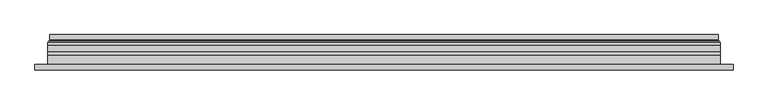
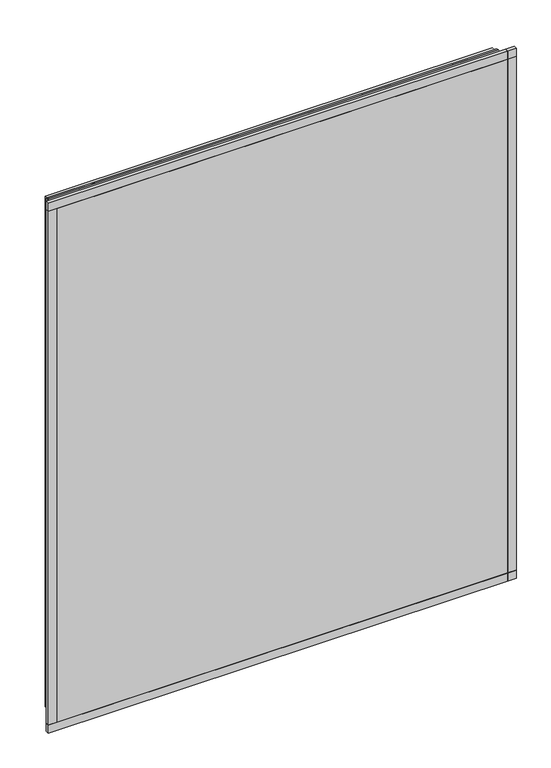
"""IFC4 building model written with IfcOpenShell, lengths in millimetres: plate geometry."""

from ifc_helpers import new_model, si_unit, frame, origin, place, context, project, spatial, polyline, ellipse_curve, outline, extrude, source, transform, mapped, element, save
from ifc_brep_helpers import plane_surface, cylinder_surface, revolved_surface, advanced_brep


def plate_7d203d8e(model_context):
    return source(origin(), model_context, "Body", "SolidModel", [
        extrude(outline(polyline([(33.5, -591.5), (33.5, 591.5), (1466.5, 591.5), (1466.5, -591.5), (33.5, -591.5)]), holes=[polyline([(38.5, 586.5), (38.5, -586.5), (1461.5, -586.5), (1461.5, 586.5), (38.5, 586.5)])]), frame((0.0, 0.0, 0.0), z_axis=(0.0, 1.0, 0.0), x_axis=(0.0, 0.0, 1.0)), (0.0, 0.0, 1.0), 12.0),
        extrude(outline(polyline([(11.5, -613.5), (11.5, 613.5), (1488.5, 613.5), (1488.5, -613.5), (11.5, -613.5)]), holes=[polyline([(33.5, 591.5), (33.5, -591.5), (1466.5, -591.5), (1466.5, 591.5), (33.5, 591.5)])]), frame((0.0, -26.0, 0.0), z_axis=(0.0, 1.0, 0.0), x_axis=(0.0, 0.0, 1.0)), (0.0, 0.0, 1.0), 20.0),
        extrude(outline(polyline([(11.5, -613.5), (11.5, 613.5), (1488.5, 613.5), (1488.5, -613.5), (11.5, -613.5)]), holes=[polyline([(33.5, 591.5), (33.5, -591.5), (1466.5, -591.5), (1466.5, 591.5), (33.5, 591.5)])]), frame((0.0, -26.0, 0.0), z_axis=(0.0, 1.0, 0.0), x_axis=(0.0, 0.0, 1.0)), (0.0, 0.0, 1.0), 20.0),
        extrude(outline(polyline([(613.5, -6.0), (-613.5, -6.0), (-613.5, 0.0), (613.5, 0.0), (613.5, -6.0)])), frame((0.0, 0.0, 11.5), z_axis=(0.0, 0.0, 1.0), x_axis=(1.0, 0.0, 0.0)), (0.0, 0.0, 1.0), 1477.0),
        extrude(outline(polyline([(636.5, -32.0), (-636.5, -32.0), (-636.5, -22.51), (636.5, -22.51), (636.5, -32.0)])), frame((0.0, 0.0, -11.5), z_axis=(0.0, 0.0, 1.0), x_axis=(1.0, 0.0, 0.0)), (0.0, 0.0, 1.0), 23.0),
        extrude(outline(polyline([(636.5, -32.0), (-636.5, -32.0), (-636.5, -22.51), (636.5, -22.51), (636.5, -32.0)])), frame((0.0, 0.0, 1488.5), z_axis=(0.0, 0.0, 1.0), x_axis=(1.0, 0.0, 0.0)), (0.0, 0.0, 1.0), 23.0),
        extrude(outline(polyline([(-636.5, -32.0), (-636.5, -22.51), (-613.5, -22.51), (-613.5, -32.0), (-636.5, -32.0)])), frame((0.0, 0.0, -11.5), z_axis=(0.0, 0.0, 1.0), x_axis=(1.0, 0.0, 0.0)), (0.0, 0.0, 1.0), 1523.0),
        extrude(outline(polyline([(636.5, -32.0), (613.5, -32.0), (613.5, -22.51), (636.5, -22.51), (636.5, -32.0)])), frame((0.0, 0.0, -11.5), z_axis=(0.0, 0.0, 1.0), x_axis=(1.0, 0.0, 0.0)), (0.0, 0.0, 1.0), 1523.0),
        extrude(outline(polyline([(11.5, -613.5), (11.5, 613.5), (1488.5, 613.5), (1488.5, -613.5), (11.5, -613.5)]), holes=[polyline([(33.5, 591.5), (33.5, -591.5), (1466.5, -591.5), (1466.5, 591.5), (33.5, 591.5)])]), frame((0.0, 0.0, 0.0), z_axis=(0.0, 1.0, 0.0), x_axis=(0.0, 0.0, 1.0)), (0.0, 0.0, 1.0), 12.0),
        extrude(outline(polyline([(33.5, -591.5), (33.5, 591.5), (1466.5, 591.5), (1466.5, -591.5), (33.5, -591.5)]), holes=[polyline([(38.5, 586.5), (38.5, -586.5), (1461.5, -586.5), (1461.5, 586.5), (38.5, 586.5)])]), frame((0.0, -26.0, 0.0), z_axis=(0.0, 1.0, 0.0), x_axis=(0.0, 0.0, 1.0)), (0.0, 0.0, 1.0), 20.0),
        extrude(outline(polyline([(613.5, 18.0), (613.5, 12.0), (-613.5, 12.0), (-613.5, 18.0), (613.5, 18.0)])), frame((0.0, 0.0, 11.5), z_axis=(0.0, 0.0, 1.0), x_axis=(1.0, 0.0, 0.0)), (0.0, 0.0, 1.0), 1477.0),
        extrude(outline(polyline([(-613.5, -32.0), (-613.5, -26.0), (613.5, -26.0), (613.5, -32.0), (-613.5, -32.0)])), frame((0.0, 0.0, 11.5), z_axis=(0.0, 0.0, 1.0), x_axis=(1.0, 0.0, 0.0)), (0.0, 0.0, 1.0), 1477.0),
        advanced_brep(
        [(600.0000103, 32.0, 24.9999897), (-600.0000103, 32.0, 24.9999897), (-600.0000103, 21.9110895, 24.9999897), (600.0000103, 21.9110895, 24.9999897), (608.9986526, 23.3044663, 16.0013474), (-608.9986526, 23.3044663, 16.0013474), (-608.9986526, 32.0, 16.0013474), (608.9986526, 32.0, 16.0013474), (610.6689727, 20.9442833, 14.3310273), (-610.6689727, 20.9442833, 14.3310273), (610.2544044, 18.0034569, 14.7455956), (-610.2544044, 18.0034569, 14.7455956), (599.0620948, 20.2163959, 25.9379052), (-599.0620948, 20.2163959, 25.9379052), (-599.6992268, 18.0000006, 25.3007732), (599.6992268, 18.0000006, 25.3007732), (-600.0000103, 32.0, 1475.0000103), (-600.0000103, 21.9110895, 1475.0000103), (-608.9986526, 23.3044663, 1483.9986526), (-608.9986526, 32.0, 1483.9986526), (-610.6689727, 20.9442833, 1485.6689727), (-610.2544044, 18.0034569, 1485.2544044), (-599.0620948, 20.2163959, 1474.0620948), (-599.6992268, 18.0000006, 1474.6992268), (600.0000103, 32.0, 1475.0000103), (600.0000103, 21.9110895, 1475.0000103), (608.9986526, 23.3044663, 1483.9986526), (608.9986526, 32.0, 1483.9986526), (610.6689727, 20.9442833, 1485.6689727), (610.2544044, 18.0034569, 1485.2544044), (599.0620948, 20.2163959, 1474.0620948), (599.6992268, 18.0000006, 1474.6992268)],
        [
            (0, 1),
            (1, 2),
            (2, 3),
            (3, 0),
            (4, 5),
            (5, 6),
            (6, 7),
            (7, 4),
            (8, 9),
            (9, 5, ellipse_curve(frame((-611.3086832, 23.1681522, 13.6913168), z_axis=(-0.7071067811865475, 0.0, 0.7071067811865475), x_axis=(-0.7071067811865476, 0.0, -0.7071067811865474)), 3.2725594, 2.314049)),
            (4, 8, ellipse_curve(frame((611.3086832, 23.1681522, 13.6913168), z_axis=(0.7071067811865475, 0.0, 0.7071067811865475), x_axis=(-0.7071067811865476, 0.0, 0.7071067811865474)), 3.2725594, 2.314049)),
            (10, 11),
            (11, 9, ellipse_curve(frame((-610.2544044, 19.5030909, 14.7455956), z_axis=(0.7071067811865475, 0.0, -0.7071067811865475), x_axis=(0.7071067811865476, 0.0, 0.7071067811865474)), 2.1208028, 1.4996341)),
            (8, 10, ellipse_curve(frame((610.2544044, 19.5030909, 14.7455956), z_axis=(-0.7071067811865475, 0.0, -0.7071067811865475), x_axis=(0.7071067811865476, 0.0, -0.7071067811865474)), 2.1208028, 1.4996341)),
            (12, 13),
            (13, 14, ellipse_curve(frame((-599.6992268, 19.1997743, 25.3007732), z_axis=(0.7071067811865475, 0.0, -0.7071067811865475), x_axis=(0.7071067811865476, 0.0, 0.7071067811865474)), 1.6967361, 1.1997736)),
            (14, 15),
            (15, 12, ellipse_curve(frame((599.6992268, 19.1997743, 25.3007732), z_axis=(-0.7071067811865475, 0.0, -0.7071067811865475), x_axis=(0.7071067811865476, 0.0, -0.7071067811865474)), 1.6967361, 1.1997736)),
            (2, 13, ellipse_curve(frame((-598.0000051, 21.9110895, 26.9999949), z_axis=(-0.7071067811865475, 0.0, 0.7071067811865475), x_axis=(-0.7071067811865476, 0.0, -0.7071067811865474)), 2.8284345, 2.0000052)),
            (12, 3, ellipse_curve(frame((598.0000051, 21.9110895, 26.9999949), z_axis=(0.7071067811865475, 0.0, 0.7071067811865475), x_axis=(-0.7071067811865476, 0.0, 0.7071067811865474)), 2.8284345, 2.0000052)),
            (1, 16),
            (16, 17),
            (17, 2),
            (5, 18),
            (18, 19),
            (19, 6),
            (9, 20),
            (20, 18, ellipse_curve(frame((-611.3086832, 23.1681522, 1486.3086832), z_axis=(0.7071067811865475, 0.0, 0.7071067811865475), x_axis=(-0.7071067811865474, 0.0, 0.7071067811865476)), 3.2725594, 2.314049)),
            (11, 21),
            (21, 20, ellipse_curve(frame((-610.2544044, 19.5030909, 1485.2544044), z_axis=(-0.7071067811865475, 0.0, -0.7071067811865475), x_axis=(0.7071067811865474, 0.0, -0.7071067811865476)), 2.1208028, 1.4996341)),
            (13, 22),
            (22, 23, ellipse_curve(frame((-599.6992268, 19.1997743, 1474.6992268), z_axis=(-0.7071067811865475, 0.0, -0.7071067811865475), x_axis=(0.7071067811865474, 0.0, -0.7071067811865476)), 1.6967361, 1.1997736)),
            (23, 14),
            (17, 22, ellipse_curve(frame((-598.0000051, 21.9110895, 1473.0000051), z_axis=(0.7071067811865475, 0.0, 0.7071067811865475), x_axis=(-0.7071067811865474, 0.0, 0.7071067811865476)), 2.8284345, 2.0000052)),
            (16, 24),
            (24, 25),
            (25, 17),
            (18, 26),
            (26, 27),
            (27, 19),
            (20, 28),
            (28, 26, ellipse_curve(frame((611.3086832, 23.1681522, 1486.3086832), z_axis=(0.7071067811865475, 0.0, -0.7071067811865475), x_axis=(0.7071067811865476, 0.0, 0.7071067811865474)), 3.2725594, 2.314049)),
            (21, 29),
            (29, 28, ellipse_curve(frame((610.2544044, 19.5030909, 1485.2544044), z_axis=(-0.7071067811865475, 0.0, 0.7071067811865475), x_axis=(-0.7071067811865476, 0.0, -0.7071067811865474)), 2.1208028, 1.4996341)),
            (22, 30),
            (30, 31, ellipse_curve(frame((599.6992268, 19.1997743, 1474.6992268), z_axis=(-0.7071067811865475, 0.0, 0.7071067811865475), x_axis=(-0.7071067811865476, 0.0, -0.7071067811865474)), 1.6967361, 1.1997736)),
            (31, 23),
            (25, 30, ellipse_curve(frame((598.0000051, 21.9110895, 1473.0000051), z_axis=(0.7071067811865475, 0.0, -0.7071067811865475), x_axis=(0.7071067811865476, 0.0, 0.7071067811865474)), 2.8284345, 2.0000052)),
            (24, 0),
            (3, 25),
            (26, 4),
            (7, 27),
            (28, 8),
            (29, 10),
            (31, 15),
            (30, 12),
        ],
        [
            plane_surface(frame((600.0000103, 21.9110895, 24.9999897), z_axis=(0.0, 0.0, 1.0), x_axis=(-1.0, 0.0, 0.0))),
            plane_surface(frame((608.9986526, 32.0, 16.0013474), z_axis=(0.0, 0.0, -1.0), x_axis=(-1.0, 0.0, 0.0))),
            revolved_surface(polyline([(-613.6227321435756, 25.482201200000002, 13.6913168), (613.6227321435758, 25.482201200000002, 13.6913168)]), (600.0, 23.1681522, 13.6913168), (-1.0, 0.0, 0.0)),
            cylinder_surface(frame((600.0, 19.5030909, 14.7455956), z_axis=(1.0, 0.0, 0.0), x_axis=(0.0, 1.0, 0.0)), 1.4996341),
            cylinder_surface(frame((600.0, 19.1997743, 25.3007732), z_axis=(1.0, 0.0, 0.0), x_axis=(0.0, 1.0, 0.0)), 1.1997736),
            revolved_surface(polyline([(-600.0000103150919, 23.9110947, 26.9999949), (600.0000103150919, 23.9110947, 26.9999949)]), (600.0, 21.9110895, 26.9999949), (-1.0, 0.0, 0.0)),
            plane_surface(frame((-600.0000103, 21.9110895, 24.9999897), z_axis=(1.0, 0.0, 0.0), x_axis=(0.0, 0.0, 1.0))),
            plane_surface(frame((-608.9986526, 32.0, 16.0013474), z_axis=(-1.0, 0.0, 0.0), x_axis=(0.0, 0.0, 1.0))),
            revolved_surface(polyline([(-611.3086832, 25.482201200000002, 1488.6227321435756), (-611.3086832, 25.482201200000002, 11.37726785642422)]), (-611.3086832, 23.1681522, 25.0), (0.0, 0.0, 1.0)),
            cylinder_surface(frame((-610.2544044, 19.5030909, 25.0), z_axis=(0.0, 0.0, -1.0), x_axis=(0.0, 1.0, 0.0)), 1.4996341),
            cylinder_surface(frame((-599.6992268, 19.1997743, 25.0), z_axis=(0.0, 0.0, -1.0), x_axis=(0.0, 1.0, 0.0)), 1.1997736),
            revolved_surface(polyline([(-598.0000051, 23.9110947, 1475.000010315092), (-598.0000051, 23.9110947, 24.99998968490802)]), (-598.0000051, 21.9110895, 25.0), (0.0, 0.0, 1.0)),
            plane_surface(frame((-600.0000103, 21.9110895, 1475.0000103), z_axis=(0.0, 0.0, -1.0), x_axis=(1.0, 0.0, 0.0))),
            plane_surface(frame((-608.9986526, 32.0, 1483.9986526), z_axis=(0.0, 0.0, 1.0), x_axis=(1.0, 0.0, 0.0))),
            revolved_surface(polyline([(613.6227321435756, 25.482201200000002, 1486.3086832), (-613.6227321435758, 25.482201200000002, 1486.3086832)]), (-600.0, 23.1681522, 1486.3086832), (1.0, 0.0, 0.0)),
            cylinder_surface(frame((-600.0, 19.5030909, 1485.2544044), z_axis=(-1.0, 0.0, 0.0), x_axis=(0.0, 1.0, 0.0)), 1.4996341),
            cylinder_surface(frame((-600.0, 19.1997743, 1474.6992268), z_axis=(-1.0, 0.0, 0.0), x_axis=(0.0, 1.0, 0.0)), 1.1997736),
            revolved_surface(polyline([(600.0000103150919, 23.9110947, 1473.0000051), (-600.0000103150919, 23.9110947, 1473.0000051)]), (-600.0, 21.9110895, 1473.0000051), (1.0, 0.0, 0.0)),
            plane_surface(frame((600.0000103, 21.9110895, 1475.0000103), z_axis=(-1.0, 0.0, 0.0), x_axis=(0.0, 0.0, -1.0))),
            plane_surface(frame((608.9986526, 32.0, 1483.9986526), z_axis=(1.0, 0.0, 0.0), x_axis=(0.0, 0.0, -1.0))),
            revolved_surface(polyline([(611.3086832, 25.482201200000002, 11.377267856424396), (611.3086832, 25.482201200000002, 1488.6227321435756)]), (611.3086832, 23.1681522, 1475.0), (0.0, 0.0, -1.0)),
            cylinder_surface(frame((610.2544044, 19.5030909, 1475.0), z_axis=(0.0, 0.0, 1.0), x_axis=(0.0, 1.0, 0.0)), 1.4996341),
            plane_surface(frame((610.2544044, 18.0000006, 1485.2544044), z_axis=(0.0, -1.0, 0.0), x_axis=(0.0, 0.0, -1.0))),
            cylinder_surface(frame((599.6992268, 19.1997743, 1475.0), z_axis=(0.0, 0.0, 1.0), x_axis=(0.0, 1.0, 0.0)), 1.1997736),
            revolved_surface(polyline([(598.0000051, 23.9110947, 24.999989684908087), (598.0000051, 23.9110947, 1475.000010315092)]), (598.0000051, 21.9110895, 1475.0), (0.0, 0.0, -1.0)),
            plane_surface(frame((600.0000103, 32.0, 1475.0000103), z_axis=(0.0, 1.0, 0.0), x_axis=(0.0, 0.0, -1.0))),
        ],
        [
            (0, [[1, 2, 3, 4]]),
            (1, [[5, 6, 7, 8]]),
            (2, [[9, 10, -5, 11]]),
            (3, [[12, 13, -9, 14]]),
            (4, [[15, 16, 17, 18]]),
            (5, [[-3, 19, -15, 20]]),
            (6, [[21, 22, 23, -2]]),
            (7, [[24, 25, 26, -6]]),
            (8, [[27, 28, -24, -10]]),
            (9, [[29, 30, -27, -13]]),
            (10, [[31, 32, 33, -16]]),
            (11, [[-23, 34, -31, -19]]),
            (12, [[35, 36, 37, -22]]),
            (13, [[38, 39, 40, -25]]),
            (14, [[41, 42, -38, -28]]),
            (15, [[43, 44, -41, -30]]),
            (16, [[45, 46, 47, -32]]),
            (17, [[-37, 48, -45, -34]]),
            (18, [[49, -4, 50, -36]]),
            (19, [[51, -8, 52, -39]]),
            (20, [[53, -11, -51, -42]]),
            (21, [[54, -14, -53, -44]]),
            (22, [[-12, -54, -43, -29], [-17, -33, -47, 55]]),
            (23, [[56, -18, -55, -46]]),
            (24, [[-50, -20, -56, -48]]),
            (25, [[-7, -26, -40, -52], [-1, -49, -35, -21]]),
        ],
    ),
    ])


if __name__ == "__main__":
    model = new_model("IFC4")
    model_context = context("Model", 3, world=origin())
    ifc_project = project(units=[si_unit("LENGTHUNIT", "METRE", prefix="MILLI")], contexts=[model_context])
    site = spatial("IfcSite", under=ifc_project)
    building = spatial("IfcBuilding", under=site)
    placement = place(None, origin())
    plate_shape = plate_7d203d8e(model_context)
    element("IfcPlate", 1, at=placement, inside=building, context=model_context, shape_type="MappedRepresentation", body=[
        mapped(plate_shape, transform((0.0, 0.0, 0.0), x_axis=(1.0, 0.0, 0.0), y_axis=(0.0, 1.0, 0.0), z_axis=(0.0, 0.0, 1.0))),
    ])
    save(model, "model.ifc")
